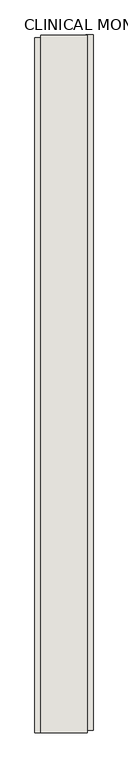
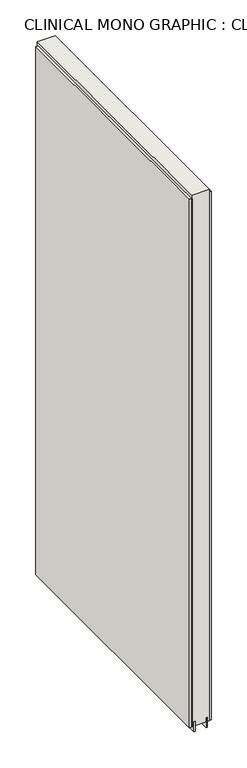
"""IFC4 building model written with IfcOpenShell, lengths in millimetres: wall geometry, CLINICAL MONO GRAPHIC : CLINICAL MONO GRAPHIC."""

from ifc_helpers import new_model, si_unit, frame, origin, place, context, project, spatial, polyline, outline, extrude, source, transform, mapped, element, save


def clinical_mono_graphic_clinical_mono_graphic_e5c1df48(model_context):
    return source(origin(), model_context, "Body", "SweptSolid", [
        extrude(outline(polyline([(66349.282211, -45578.1432352), (66349.282211, -45580.6832352), (66346.742211, -45580.6832352), (66346.742211, -45578.1432352), (66349.282211, -45578.1432352)])), frame((0.0, 0.0, 4419.6), z_axis=(0.0, 0.0, 1.0), x_axis=(1.0, 0.0, 0.0)), (0.0, 0.0, 1.0), 2.54),
        extrude(outline(polyline([(66297.212211, -46797.8100618), (66297.212211, -45582.6100538), (66309.912211, -45582.6100538), (66309.912211, -46797.8100618), (66297.212211, -46797.8100618)])), frame((0.0, 0.0, 4445.0), z_axis=(0.0, 0.0, 1.0), x_axis=(1.0, 0.0, 0.0)), (0.0, 0.0, 1.0), 2545.0498756),
        extrude(outline(polyline([(66398.812211, -45577.680117), (66398.812211, -46792.880125), (66386.112211, -46792.880125), (66386.112211, -45577.680117), (66398.812211, -45577.680117)])), frame((0.0, 0.0, 4445.0), z_axis=(0.0, 0.0, 1.0), x_axis=(1.0, 0.0, 0.0)), (0.0, 0.0, 1.0), 2545.0498756),
        extrude(outline(polyline([(66322.9284664, -45578.1419906), (66322.9284664, -46797.3419906), (66317.849711, -46797.3419906), (66317.849711, -45578.1419906), (66322.9284664, -45578.1419906)])), frame((0.0, 0.0, 4418.6602), z_axis=(0.0, 0.0, 1.0), x_axis=(1.0, 0.0, 0.0)), (0.0, 0.0, 1.0), 47.625),
        extrude(outline(polyline([(66322.9284664, -45578.1419906), (66322.9284664, -46797.3419906), (66317.849711, -46797.3419906), (66317.849711, -45578.1419906), (66322.9284664, -45578.1419906)])), frame((0.0, 0.0, 4418.6602), z_axis=(0.0, 0.0, 1.0), x_axis=(1.0, 0.0, 0.0)), (0.0, 0.0, 1.0), 47.625),
        extrude(outline(polyline([(66373.0959556, -46797.3419906), (66373.0959556, -45578.1419906), (66378.174711, -45578.1419906), (66378.174711, -46797.3419906), (66373.0959556, -46797.3419906)])), frame((0.0, 0.0, 4418.6602), z_axis=(0.0, 0.0, 1.0), x_axis=(1.0, 0.0, 0.0)), (0.0, 0.0, 1.0), 47.625),
        extrude(outline(polyline([(66373.0959556, -46797.3419906), (66373.0959556, -45578.1419906), (66378.174711, -45578.1419906), (66378.174711, -46797.3419906), (66373.0959556, -46797.3419906)])), frame((0.0, 0.0, 4418.6602), z_axis=(0.0, 0.0, 1.0), x_axis=(1.0, 0.0, 0.0)), (0.0, 0.0, 1.0), 47.625),
        extrude(outline(polyline([(66307.3573266, -45578.1419906), (66388.6670954, -45578.1419906), (66388.6670954, -46797.3419906), (66307.3573266, -46797.3419906), (66307.3573266, -45578.1419906)])), frame((0.0, 0.0, 4445.0), z_axis=(0.0, 0.0, 1.0), x_axis=(1.0, 0.0, 0.0)), (0.0, 0.0, 1.0), 2562.4536762),
    ])


if __name__ == "__main__":
    model = new_model("IFC4")
    model_context = context("Model", 3, world=origin())
    ifc_project = project(units=[si_unit("LENGTHUNIT", "METRE", prefix="MILLI")], contexts=[model_context])
    site = spatial("IfcSite", under=ifc_project)
    building = spatial("IfcBuilding", under=site)
    placement = place(None, origin())
    clinical_mono_graphic_clinical_mono_graphic_shape = clinical_mono_graphic_clinical_mono_graphic_e5c1df48(model_context)
    element("IfcWall", 1, ObjectType="CLINICAL MONO GRAPHIC : CLINICAL MONO GRAPHIC", at=placement, inside=building, context=model_context, shape_type="MappedRepresentation", body=[
        mapped(clinical_mono_graphic_clinical_mono_graphic_shape, transform((0.0, 0.0, 0.0), x_axis=(1.0, 0.0, 0.0), y_axis=(0.0, 1.0, 0.0), z_axis=(0.0, 0.0, 1.0))),
    ])
    save(model, "model.ifc")
